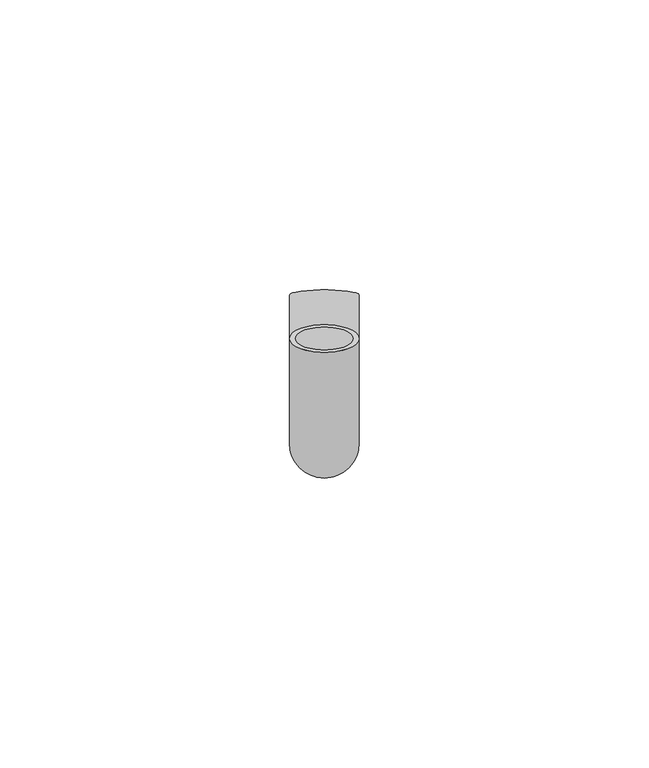
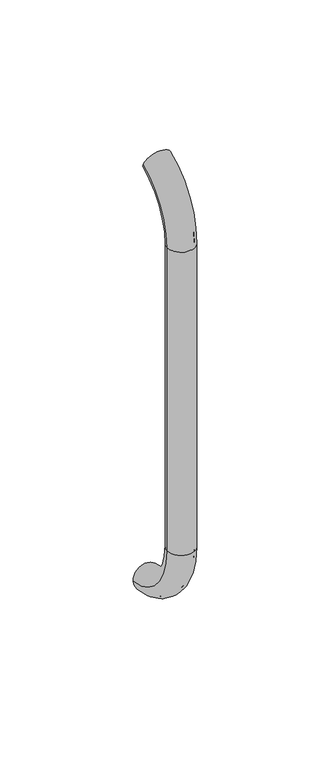
"""IFC4 building model written with IfcOpenShell, lengths in millimetres: beam geometry."""

from ifc_helpers import new_model, si_unit, point, frame, origin, place, context, project, spatial, polyline, circle_curve, ellipse_curve, trimmed, source, transform, mapped, element, save
from ifc_brep_helpers import plane_surface, cylinder_surface, revolved_surface, advanced_brep


def beam_732d55ab(model_context):
    return source(origin(), model_context, "Body", "AdvancedBrep", [
        advanced_brep(
        [(4361.6369433, 2444.0395554, 1993.7787656), (4373.6369433, 2444.0395554, 1993.7787656), (4362.6369433, 2444.0395554, 1993.7787656), (4372.6369433, 2444.0395554, 1993.7787656), (4372.6369433, 2425.9629385, 1966.25), (4362.6369433, 2425.9629385, 1966.25), (4373.6369433, 2425.9629385, 1966.25), (4361.6369433, 2425.9629385, 1966.25), (4362.6369433, 2425.9629385, 1826.25), (4372.6369433, 2425.9629385, 1826.25), (4361.6369433, 2425.9629385, 1826.25), (4373.6369433, 2425.9629385, 1826.25), (4361.6369433, 2451.5825147, 1796.5715249), (4373.6369433, 2451.5825147, 1796.5715249), (4362.6369433, 2451.5825147, 1796.5715249), (4372.6369433, 2451.5825147, 1796.5715249)],
        [
            (0, 1, circle_curve(frame((4367.6369433, 2444.0395554, 1993.7787656), z_axis=(0.0, 0.9176255197351176, 0.3974461039321624), x_axis=(1.0, 0.0, 0.0)), 6.0)),
            (1, 0, circle_curve(frame((4367.6369433, 2444.0395554, 1993.7787656), z_axis=(0.0, 0.9176255197351176, 0.3974461039321624), x_axis=(1.0, 0.0, 0.0)), 6.0)),
            (2, 3, circle_curve(frame((4367.6369433, 2444.0395554, 1993.7787656), z_axis=(0.0, -0.9176255197351176, -0.3974461039321624), x_axis=(1.0, 0.0, 0.0)), 5.0)),
            (3, 2, circle_curve(frame((4367.6369433, 2444.0395554, 1993.7787656), z_axis=(0.0, -0.9176255197351176, -0.3974461039321624), x_axis=(1.0, 0.0, 0.0)), 5.0)),
            (4, 3, circle_curve(frame((4372.6369433, 2455.9629385, 1966.25), z_axis=(-1.0, 0.0, 0.0), x_axis=(0.0, -0.3974461039321624, 0.9176255197351176)), 30.0)),
            (2, 5, circle_curve(frame((4362.6369433, 2455.9629385, 1966.25), z_axis=(1.0, 0.0, 0.0), x_axis=(0.0, -0.3974461039321624, 0.9176255197351176)), 30.0)),
            (5, 4, circle_curve(frame((4367.6369433, 2425.9629385, 1966.25), z_axis=(0.0, 0.0, -1.0), x_axis=(1.0, 0.0, 0.0)), 5.0)),
            (4, 5, circle_curve(frame((4367.6369433, 2425.9629385, 1966.25), z_axis=(0.0, 0.0, -1.0), x_axis=(1.0, 0.0, 0.0)), 5.0)),
            (6, 1, circle_curve(frame((4373.6369433, 2455.9629385, 1966.25), z_axis=(-1.0, 0.0, 0.0), x_axis=(0.0, -0.3974461039321624, 0.9176255197351176)), 30.0)),
            (0, 7, circle_curve(frame((4361.6369433, 2455.9629385, 1966.25), z_axis=(1.0, 0.0, 0.0), x_axis=(0.0, -0.3974461039321624, 0.9176255197351176)), 30.0)),
            (7, 6, circle_curve(frame((4367.6369433, 2425.9629385, 1966.25), z_axis=(0.0, 0.0, 1.0), x_axis=(1.0, 0.0, 0.0)), 6.0)),
            (6, 7, circle_curve(frame((4367.6369433, 2425.9629385, 1966.25), z_axis=(0.0, 0.0, 1.0), x_axis=(1.0, 0.0, 0.0)), 6.0)),
            (5, 8),
            (8, 9, circle_curve(frame((4367.6369433, 2425.9629385, 1826.25), z_axis=(0.0, 0.0, -1.0), x_axis=(1.0, 0.0, 0.0)), 5.0)),
            (9, 4),
            (9, 8, circle_curve(frame((4367.6369433, 2425.9629385, 1826.25), z_axis=(0.0, 0.0, -1.0), x_axis=(1.0, 0.0, 0.0)), 5.0)),
            (7, 10),
            (10, 11, circle_curve(frame((4367.6369433, 2425.9629385, 1826.25), z_axis=(0.0, 0.0, 1.0), x_axis=(1.0, 0.0, 0.0)), 6.0)),
            (11, 6),
            (11, 10, circle_curve(frame((4367.6369433, 2425.9629385, 1826.25), z_axis=(0.0, 0.0, 1.0), x_axis=(1.0, 0.0, 0.0)), 6.0)),
            (12, 13, circle_curve(frame((4367.6369433, 2451.5825147, 1796.5715249), z_axis=(0.0, 0.9892825047438852, -0.14601412879466394), x_axis=(1.0, 0.0, 0.0)), 6.0)),
            (13, 12, circle_curve(frame((4367.6369433, 2451.5825147, 1796.5715249), z_axis=(0.0, 0.9892825047438852, -0.14601412879466394), x_axis=(1.0, 0.0, 0.0)), 6.0)),
            (14, 15, circle_curve(frame((4367.6369433, 2451.5825147, 1796.5715249), z_axis=(0.0, -0.9892825047438852, 0.14601412879466394), x_axis=(1.0, 0.0, 0.0)), 5.0)),
            (15, 14, circle_curve(frame((4367.6369433, 2451.5825147, 1796.5715249), z_axis=(0.0, -0.9892825047438852, 0.14601412879466394), x_axis=(1.0, 0.0, 0.0)), 5.0)),
            (15, 9, circle_curve(frame((4372.6369433, 2455.9629385, 1826.25), z_axis=(-1.0, 0.0, 0.0), x_axis=(0.0, -1.0, 0.0)), 30.0)),
            (8, 14, circle_curve(frame((4362.6369433, 2455.9629385, 1826.25), z_axis=(1.0, 0.0, 0.0), x_axis=(0.0, -1.0, 0.0)), 30.0)),
            (13, 11, circle_curve(frame((4373.6369433, 2455.9629385, 1826.25), z_axis=(-1.0, 0.0, 0.0), x_axis=(0.0, -1.0, 0.0)), 30.0)),
            (10, 12, circle_curve(frame((4361.6369433, 2455.9629385, 1826.25), z_axis=(1.0, 0.0, 0.0), x_axis=(0.0, -1.0, 0.0)), 30.0)),
        ],
        [
            plane_surface(frame((4367.6369433, 2444.0395554, 1993.7787656), z_axis=(0.0, 0.9176255197351176, 0.3974461039321624), x_axis=(1.0, 0.0, 0.0))),
            revolved_surface(trimmed(ellipse_curve(frame((4367.6369433, 2444.0395554, 1993.7787656), z_axis=(0.0, -0.9176255197351176, -0.3974461039321624), x_axis=(1.0, 0.0, 0.0)), 5.0, 5.0), [point((4362.6369433, 2444.0395554, 1993.7787656))], [point((4372.6369433, 2444.0395554, 1993.7787656))], True, "CARTESIAN"), (4367.6369433, 2455.9629385, 1966.25), (1.0, 0.0, 0.0)),
            revolved_surface(trimmed(ellipse_curve(frame((4367.6369433, 2444.0395554, 1993.7787656), z_axis=(0.0, -0.9176255197351176, -0.3974461039321624), x_axis=(1.0, 0.0, 0.0)), 5.0, 5.0), [point((4372.6369433, 2444.0395554, 1993.7787656))], [point((4362.6369433, 2444.0395554, 1993.7787656))], True, "CARTESIAN"), (4367.6369433, 2455.9629385, 1966.25), (1.0, 0.0, 0.0)),
            revolved_surface(trimmed(ellipse_curve(frame((4367.6369433, 2444.0395554, 1993.7787656), z_axis=(0.0, 0.9176255197351176, 0.3974461039321624), x_axis=(1.0, 0.0, 0.0)), 6.0, 6.0), [point((4361.6369433, 2444.0395554, 1993.7787656))], [point((4373.6369433, 2444.0395554, 1993.7787656))], True, "CARTESIAN"), (4367.6369433, 2455.9629385, 1966.25), (1.0, 0.0, 0.0)),
            revolved_surface(trimmed(ellipse_curve(frame((4367.6369433, 2444.0395554, 1993.7787656), z_axis=(0.0, 0.9176255197351176, 0.3974461039321624), x_axis=(1.0, 0.0, 0.0)), 6.0, 6.0), [point((4373.6369433, 2444.0395554, 1993.7787656))], [point((4361.6369433, 2444.0395554, 1993.7787656))], True, "CARTESIAN"), (4367.6369433, 2455.9629385, 1966.25), (1.0, 0.0, 0.0)),
            revolved_surface(polyline([(4372.6369433, 2425.9629385, 1826.25), (4372.6369433, 2425.9629385, 1966.25)]), (4367.6369433, 2425.9629385, 1966.25), (0.0, 0.0, -1.0)),
            cylinder_surface(frame((4367.6369433, 2425.9629385, 1966.25), z_axis=(0.0, 0.0, 1.0), x_axis=(1.0, 0.0, 0.0)), 6.0),
            plane_surface(frame((4367.6369433, 2451.5825147, 1796.5715249), z_axis=(0.0, 0.9892825047438852, -0.14601412879466397), x_axis=(1.0, 0.0, 0.0))),
            revolved_surface(trimmed(ellipse_curve(frame((4367.6369433, 2425.9629385, 1826.25), z_axis=(0.0, 0.0, -1.0), x_axis=(1.0, 0.0, 0.0)), 5.0, 5.0), [point((4362.6369433, 2425.9629385, 1826.25))], [point((4372.6369433, 2425.9629385, 1826.25))], True, "CARTESIAN"), (4367.6369433, 2455.9629385, 1826.25), (1.0, 0.0, 0.0)),
            revolved_surface(trimmed(ellipse_curve(frame((4367.6369433, 2425.9629385, 1826.25), z_axis=(0.0, 0.0, -1.0), x_axis=(1.0, 0.0, 0.0)), 5.0, 5.0), [point((4372.6369433, 2425.9629385, 1826.25))], [point((4362.6369433, 2425.9629385, 1826.25))], True, "CARTESIAN"), (4367.6369433, 2455.9629385, 1826.25), (1.0, 0.0, 0.0)),
            revolved_surface(trimmed(ellipse_curve(frame((4367.6369433, 2425.9629385, 1826.25), z_axis=(0.0, 0.0, 1.0), x_axis=(1.0, 0.0, 0.0)), 6.0, 6.0), [point((4361.6369433, 2425.9629385, 1826.25))], [point((4373.6369433, 2425.9629385, 1826.25))], True, "CARTESIAN"), (4367.6369433, 2455.9629385, 1826.25), (1.0, 0.0, 0.0)),
            revolved_surface(trimmed(ellipse_curve(frame((4367.6369433, 2425.9629385, 1826.25), z_axis=(0.0, 0.0, 1.0), x_axis=(1.0, 0.0, 0.0)), 6.0, 6.0), [point((4373.6369433, 2425.9629385, 1826.25))], [point((4361.6369433, 2425.9629385, 1826.25))], True, "CARTESIAN"), (4367.6369433, 2455.9629385, 1826.25), (1.0, 0.0, 0.0)),
        ],
        [
            (0, [[1, 2], [3, 4]]),
            (1, [[5, -3, 6, 7]]),
            (2, [[-6, -4, -5, 8]]),
            (3, [[9, -1, 10, 11]]),
            (4, [[-10, -2, -9, 12]]),
            (5, [[-7, 13, 14, 15]]),
            (5, [[-8, -15, 16, -13]]),
            (6, [[-11, 17, 18, 19]]),
            (6, [[-12, -19, 20, -17]]),
            (7, [[21, 22], [23, 24]]),
            (8, [[25, -14, 26, -24]]),
            (9, [[-26, -16, -25, -23]]),
            (10, [[27, -18, 28, -22]]),
            (11, [[-28, -20, -27, -21]]),
        ],
    ),
    ])


if __name__ == "__main__":
    model = new_model("IFC4")
    model_context = context("Model", 3, world=origin())
    ifc_project = project(units=[si_unit("LENGTHUNIT", "METRE", prefix="MILLI")], contexts=[model_context])
    site = spatial("IfcSite", under=ifc_project)
    building = spatial("IfcBuilding", under=site)
    placement = place(None, origin())
    beam_shape = beam_732d55ab(model_context)
    element("IfcBeam", 1, at=placement, inside=building, context=model_context, shape_type="MappedRepresentation", body=[
        mapped(beam_shape, transform((0.0, 0.0, 0.0), x_axis=(1.0, 0.0, 0.0), y_axis=(0.0, 1.0, 0.0), z_axis=(0.0, 0.0, 1.0))),
    ])
    save(model, "model.ifc")
